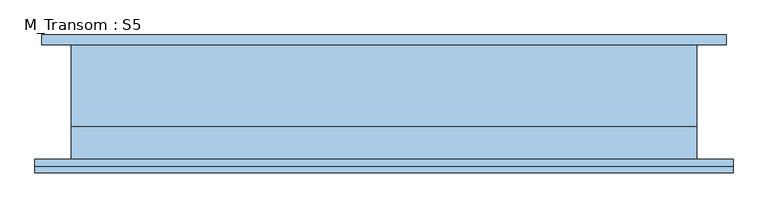
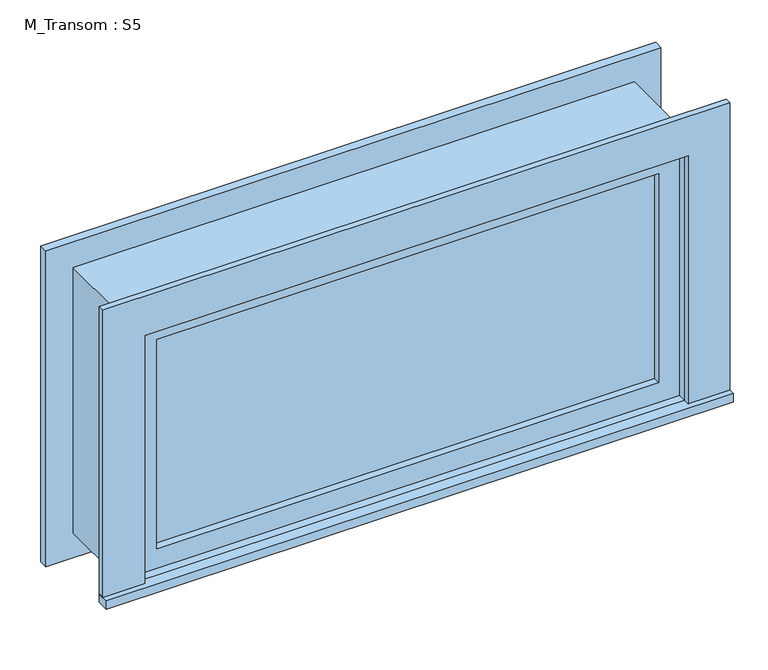
"""IFC4 building model written with IfcOpenShell, lengths in millimetres: window geometry, M_Transom : S5."""

from ifc_helpers import new_model, si_unit, frame, origin, place, context, project, spatial, polyline, outline, extrude, source, transform, mapped, element, save


def m_transom_s5_dcd86f24(model_context):
    return source(origin(), model_context, "Body", "SweptSolid", [
        extrude(outline(polyline([(-708.05, -135.7), (-708.05, -110.0), (631.85, -110.0), (631.85, -135.7), (-708.05, -135.7)])), frame((0.0, 0.0, 2159.0), z_axis=(0.0, 0.0, 1.0), x_axis=(1.0, 0.0, 0.0)), (0.0, 0.0, 1.0), 19.05),
        extrude(outline(polyline([(2739.95, -619.05), (2739.95, 542.85), (2178.05, 542.85), (2178.05, 631.85), (2828.95, 631.85), (2828.95, -708.05), (2178.05, -708.05), (2178.05, -619.05), (2739.95, -619.05)])), frame((0.0, -123.0, 0.0), z_axis=(0.0, 1.0, 0.0), x_axis=(0.0, 0.0, 1.0)), (0.0, 0.0, 1.0), 13.0),
        extrude(outline(polyline([(2816.25, 619.15), (2816.25, -695.35), (2101.75, -695.35), (2101.75, 619.15), (2816.25, 619.15)]), holes=[polyline([(2727.25, 530.15), (2190.75, 530.15), (2190.75, -606.35), (2727.25, -606.35), (2727.25, 530.15)])]), frame((0.0, 110.0, 0.0), z_axis=(0.0, 1.0, 0.0), x_axis=(0.0, 0.0, 1.0)), (0.0, 0.0, 1.0), 19.0),
        extrude(outline(polyline([(498.4, -62.425), (498.4, -75.125), (-574.6, -75.125), (-574.6, -62.425), (498.4, -62.425)])), frame((0.0, 0.0, 2222.5), z_axis=(0.0, 0.0, 1.0), x_axis=(1.0, 0.0, 0.0)), (0.0, 0.0, 1.0), 473.0),
        extrude(outline(polyline([(2739.95, -619.05), (2178.05, -619.05), (2178.05, 542.85), (2739.95, 542.85), (2739.95, -619.05)]), holes=[polyline([(2695.5, -574.6), (2695.5, 498.4), (2222.5, 498.4), (2222.5, -574.6), (2695.5, -574.6)])]), frame((0.0, -91.0, 0.0), z_axis=(0.0, 1.0, 0.0), x_axis=(0.0, 0.0, 1.0)), (0.0, 0.0, 1.0), 44.45),
        extrude(outline(polyline([(2759.0, -638.1), (2159.0, -638.1), (2159.0, 561.9), (2759.0, 561.9), (2759.0, -638.1)]), holes=[polyline([(2727.25, -606.35), (2727.25, 530.15), (2190.75, 530.15), (2190.75, -606.35), (2727.25, -606.35)])]), frame((0.0, -46.55, 0.0), z_axis=(0.0, 1.0, 0.0), x_axis=(0.0, 0.0, 1.0)), (0.0, 0.0, 1.0), 156.55),
        extrude(outline(polyline([(2759.0, 561.9), (2759.0, -638.1), (2159.0, -638.1), (2159.0, 561.9), (2759.0, 561.9)]), holes=[polyline([(2739.95, 542.85), (2178.05, 542.85), (2178.05, -619.05), (2739.95, -619.05), (2739.95, 542.85)])]), frame((0.0, -110.0, 0.0), z_axis=(0.0, 1.0, 0.0), x_axis=(0.0, 0.0, 1.0)), (0.0, 0.0, 1.0), 63.45),
    ])


if __name__ == "__main__":
    model = new_model("IFC4")
    model_context = context("Model", 3, world=origin())
    ifc_project = project(units=[si_unit("LENGTHUNIT", "METRE", prefix="MILLI")], contexts=[model_context])
    site = spatial("IfcSite", under=ifc_project)
    building = spatial("IfcBuilding", under=site)
    placement = place(None, origin())
    m_transom_s5_shape = m_transom_s5_dcd86f24(model_context)
    element("IfcWindow", 1, ObjectType="M_Transom : S5", at=placement, inside=building, context=model_context, shape_type="MappedRepresentation", body=[
        mapped(m_transom_s5_shape, transform((0.0, 0.0, 0.0), x_axis=(1.0, 0.0, 0.0), y_axis=(0.0, 1.0, 0.0), z_axis=(0.0, 0.0, 1.0))),
    ])
    save(model, "model.ifc")
